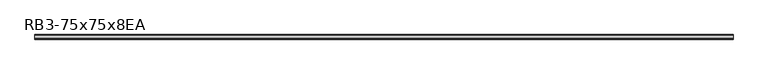
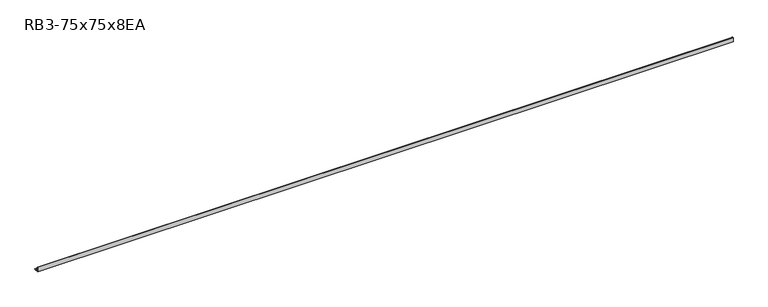
"""IFC4 building model written with IfcOpenShell, lengths in millimetres: member geometry, RB3-75x75x8EA."""

from ifc_helpers import new_model, si_unit, point, frame, frame_2d, origin, place, context, project, spatial, polyline, circle_curve, trimmed, segment, composite_curve, outline, extrude, source, transform, mapped, element, save


def rb3_75x75x8ea_e2d243bb(model_context):
    return source(origin(), model_context, "Body", "SweptSolid", [
        extrude(outline(composite_curve([segment(polyline([(-21.3, -21.3), (-21.3, 53.7), (-18.3, 53.7)]), True, "CONTINUOUS"), segment(trimmed(circle_curve(frame_2d((-18.3, 48.7)), 5.0), [point((-18.3, 53.7))], [point((-13.3, 48.7))], False, "CARTESIAN"), True, "CONTINUOUS"), segment(polyline([(-13.3, 48.7), (-13.3, -5.3)]), True, "CONTINUOUS"), segment(trimmed(circle_curve(frame_2d((-5.3, -5.3)), 8.0), [point((-13.3, -5.3))], [point((-5.3, -13.3))], True, "CARTESIAN"), True, "CONTINUOUS"), segment(polyline([(-5.3, -13.3), (48.7, -13.3)]), True, "CONTINUOUS"), segment(trimmed(circle_curve(frame_2d((48.7, -18.3)), 5.0), [point((48.7, -13.3))], [point((53.7, -18.3))], False, "CARTESIAN"), True, "CONTINUOUS"), segment(polyline([(53.7, -18.3), (53.7, -21.3), (-21.3, -21.3)]), True, "CONTINUOUS")], self_intersect=False)), frame((-5916.640766, 0.0, 0.0), z_axis=(1.0, 0.0, 0.0), x_axis=(0.0, 1.0, 0.0)), (0.0, 0.0, 1.0), 11345.640766),
    ])


if __name__ == "__main__":
    model = new_model("IFC4")
    model_context = context("Model", 3, world=origin())
    ifc_project = project(units=[si_unit("LENGTHUNIT", "METRE", prefix="MILLI")], contexts=[model_context])
    site = spatial("IfcSite", under=ifc_project)
    building = spatial("IfcBuilding", under=site)
    placement = place(None, origin())
    rb3_75x75x8ea_shape = rb3_75x75x8ea_e2d243bb(model_context)
    element("IfcMember", 1, ObjectType="RB3-75x75x8EA", at=placement, inside=building, context=model_context, shape_type="MappedRepresentation", body=[
        mapped(rb3_75x75x8ea_shape, transform((0.0, 0.0, 0.0), x_axis=(1.0, 0.0, 0.0), y_axis=(0.0, 1.0, 0.0), z_axis=(0.0, 0.0, 1.0))),
    ])
    save(model, "model.ifc")
